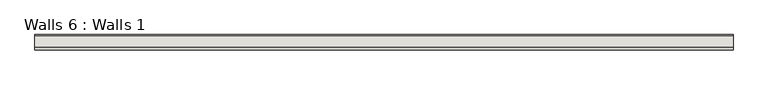
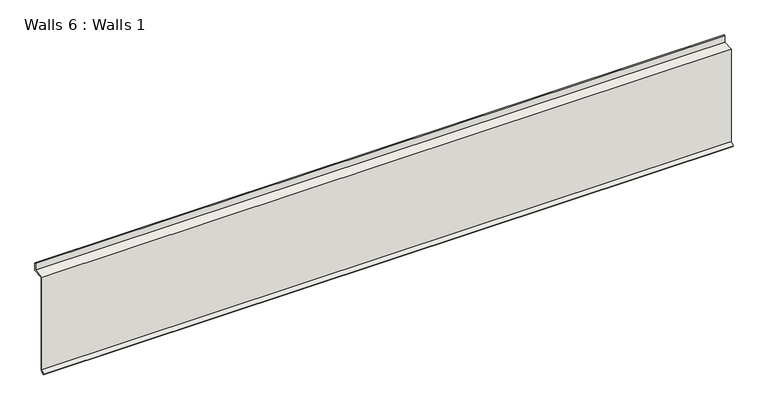
"""IFC4 building model written with IfcOpenShell, lengths in millimetres: wall geometry, Walls 6 : Walls 1."""

from ifc_helpers import new_model, si_unit, frame, origin, place, context, project, spatial, polyline, outline, extrude, source, transform, mapped, element, save


def walls_6_walls_1_659e62fa(model_context):
    return source(origin(), model_context, "Body", "SweptSolid", [
        extrude(outline(polyline([(2132.1934093, 652.3811398), (2132.1934093, 673.2541102), (2135.3684093, 673.2541102), (2135.3684093, 649.4204044), (2102.0927824, 647.0935459), (2102.0927824, 356.4004473), (2092.1825903, 346.4902553), (2089.9375263, 348.7353193), (2098.9177824, 357.7155754), (2098.9177824, 650.0542813), (2132.1934093, 652.3811398)])), frame((-663.6267943, 0.0, 0.0), z_axis=(1.0, 0.0, 0.0), x_axis=(0.0, 1.0, 0.0)), (0.0, 0.0, 1.0), 2057.4),
    ])


if __name__ == "__main__":
    model = new_model("IFC4")
    model_context = context("Model", 3, world=origin())
    ifc_project = project(units=[si_unit("LENGTHUNIT", "METRE", prefix="MILLI")], contexts=[model_context])
    site = spatial("IfcSite", under=ifc_project)
    building = spatial("IfcBuilding", under=site)
    placement = place(None, origin())
    walls_6_walls_1_shape = walls_6_walls_1_659e62fa(model_context)
    element("IfcWall", 1, ObjectType="Walls 6 : Walls 1", at=placement, inside=building, context=model_context, shape_type="MappedRepresentation", body=[
        mapped(walls_6_walls_1_shape, transform((0.0, 0.0, 0.0), x_axis=(1.0, 0.0, 0.0), y_axis=(0.0, 1.0, 0.0), z_axis=(0.0, 0.0, 1.0))),
    ])
    save(model, "model.ifc")
